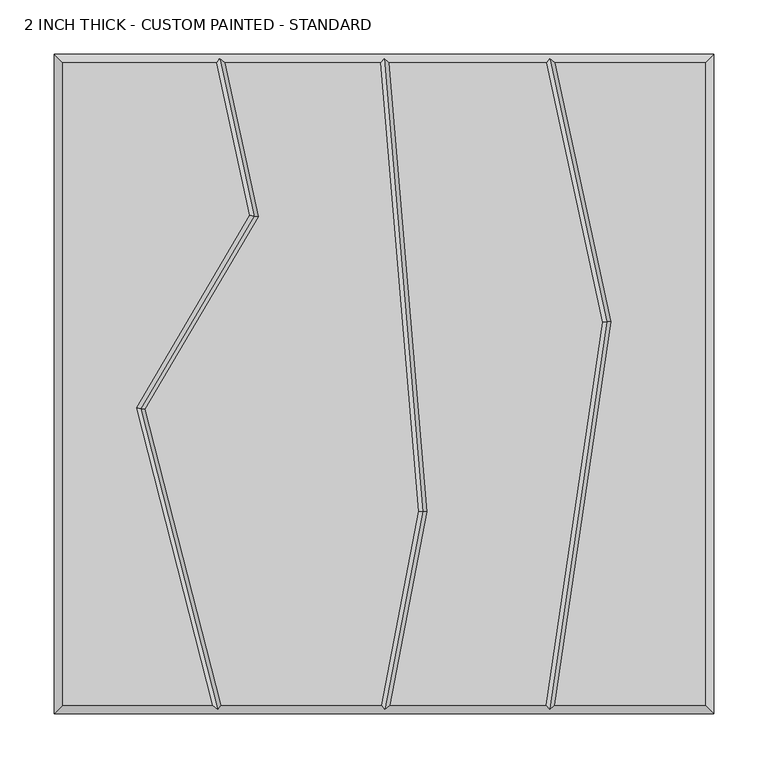
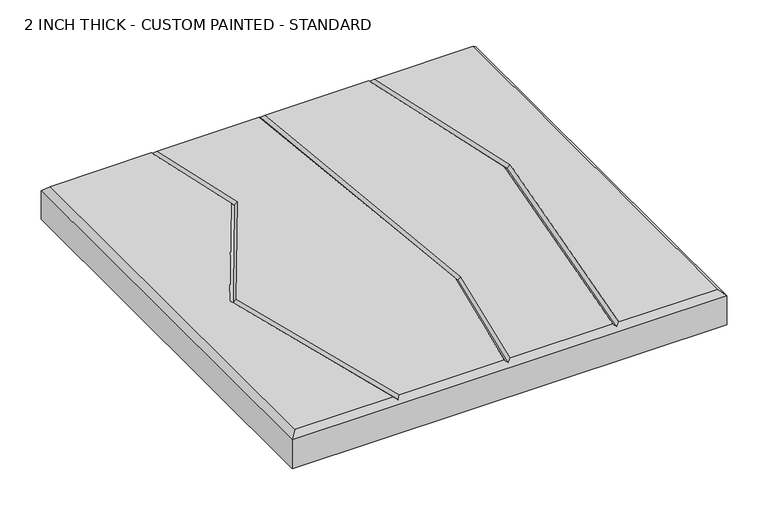
"""IFC4 building model written with IfcOpenShell, lengths in millimetres: proxy geometry, 2 INCH THICK - CUSTOM PAINTED - STANDARD."""

from ifc_helpers import new_model, si_unit, origin, place, context, project, spatial, faceted_brep, source, transform, mapped, element, save


def proxy_2_inch_thick_custom_painted_standard_82713271(model_context):
    return source(origin(), model_context, "Body", "Brep", [
        faceted_brep([(-296.799, 296.799, 50.8), (-296.799, -296.799, 50.8), (-158.5803507, -296.799, 50.8), (-228.9486116, -22.1618467, 50.8), (-124.326786, 155.8449273, 50.8), (-154.765405, 296.799, 50.8), (296.799, -296.799, 50.8), (296.799, 296.799, 50.8), (158.2217247, 296.799, 50.8), (209.9251981, 57.4644259, 50.8), (157.6255242, -296.799, 50.8), (-220.3791386, -23.3717887, 50.8), (-150.3208923, -296.799, 50.8), (-2.5427901, -296.799, 50.8), (31.7252909, -117.6291285, 50.8), (-3.3378716, 296.799, 50.8), (-146.5799748, 296.799, 50.8), (-115.8470875, 154.4822402, 50.8), (39.7905877, -118.051219, 50.8), (5.6032358, -296.799, 50.8), (149.5378056, -296.799, 50.8), (201.7977561, 57.1953504, 50.8), (150.0361542, 296.799, 50.8), (4.6917137, 296.799, 50.8), (-304.8, 304.8, 0.0), (304.8, 304.8, 0.0), (304.8, -304.8, 0.0), (-304.8, -304.8, 0.0), (-304.8, -304.8, 42.799), (-304.8, 304.8, 42.799), (304.8, -304.8, 42.799), (304.8, 304.8, 42.799), (-151.5365862, 300.7995, 46.7995), (0.3384542, 300.7995, 46.7995), (153.264711, 300.7995, 46.7995), (152.9910738, -300.7995, 46.7995), (0.7650861, -300.7995, 46.7995), (-153.4256028, -300.7995, 46.7995), (-224.6638751, -22.7668177, 46.7995), (-120.0869367, 155.1635838, 46.7995), (35.7579393, -117.8401737, 46.7995), (205.8614771, 57.3298882, 46.7995)], [[[0, 1, 2, 3, 4, 5]], [[6, 7, 8, 9, 10]], [[11, 12, 13, 14, 15, 16, 17]], [[18, 19, 20, 21, 22, 23]], [[24, 25, 26, 27]], [[24, 27, 28, 29]], [[27, 26, 30, 28]], [[26, 25, 31, 30]], [[25, 24, 29, 31]], [[29, 0, 5, 32, 16, 15, 33, 23, 22, 34, 8, 7, 31]], [[0, 29, 28, 1]], [[1, 28, 30, 6, 10, 35, 20, 19, 36, 13, 12, 37, 2]], [[31, 7, 6, 30]], [[38, 3, 2, 37]], [[11, 38, 37, 12]], [[3, 38, 39, 4]], [[38, 11, 17, 39]], [[4, 39, 32, 5]], [[39, 17, 16, 32]], [[40, 14, 13, 36]], [[18, 40, 36, 19]], [[14, 40, 33, 15]], [[40, 18, 23, 33]], [[41, 21, 20, 35]], [[9, 41, 35, 10]], [[21, 41, 34, 22]], [[41, 9, 8, 34]]]),
    ])


if __name__ == "__main__":
    model = new_model("IFC4")
    model_context = context("Model", 3, world=origin())
    ifc_project = project(units=[si_unit("LENGTHUNIT", "METRE", prefix="MILLI")], contexts=[model_context])
    site = spatial("IfcSite", under=ifc_project)
    building = spatial("IfcBuilding", under=site)
    placement = place(None, origin())
    proxy_2_inch_thick_custom_painted_standard_shape = proxy_2_inch_thick_custom_painted_standard_82713271(model_context)
    element("IfcBuildingElementProxy", 1, Name="2 INCH THICK - CUSTOM PAINTED - STANDARD", ObjectType="2 INCH THICK - CUSTOM PAINTED - STANDARD", at=placement, inside=building, context=model_context, shape_type="MappedRepresentation", body=[
        mapped(proxy_2_inch_thick_custom_painted_standard_shape, transform((0.0, 0.0, 0.0), x_axis=(1.0, 0.0, 0.0), y_axis=(0.0, 1.0, 0.0), z_axis=(0.0, 0.0, 1.0))),
    ])
    save(model, "model.ifc")
